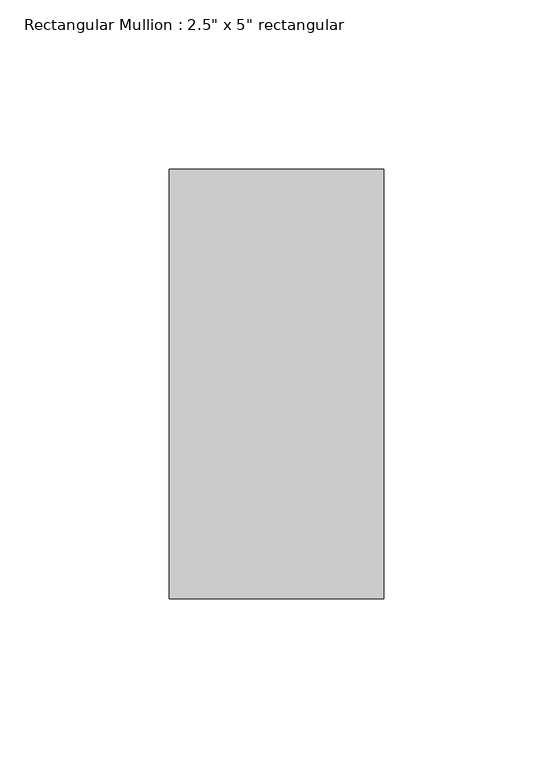
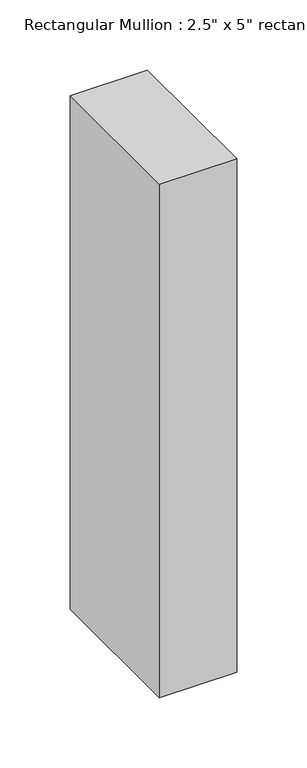
"""IFC4 building model written with IfcOpenShell, lengths in millimetres: member geometry."""

from ifc_helpers import new_model, si_unit, frame, origin, place, context, project, spatial, polyline, outline, extrude, source, transform, mapped, element, save


def member_8d68190f(model_context):
    return source(origin(), model_context, "Body", "SweptSolid", [
        extrude(outline(polyline([(0.0, 63.5), (0.0, -63.5), (-63.5, -63.5), (-63.5, 63.5), (0.0, 63.5)])), frame((0.0, 0.0, -446.6166667), z_axis=(0.0, 0.0, 1.0), x_axis=(1.0, 0.0, 0.0)), (0.0, 0.0, 1.0), 446.6166667),
    ])


if __name__ == "__main__":
    model = new_model("IFC4")
    model_context = context("Model", 3, world=origin())
    ifc_project = project(units=[si_unit("LENGTHUNIT", "METRE", prefix="MILLI")], contexts=[model_context])
    site = spatial("IfcSite", under=ifc_project)
    building = spatial("IfcBuilding", under=site)
    placement = place(None, origin())
    member_shape = member_8d68190f(model_context)
    element("IfcMember", 1, ObjectType="Rectangular Mullion : 2.5\" x 5\" rectangular", at=placement, inside=building, context=model_context, shape_type="MappedRepresentation", body=[
        mapped(member_shape, transform((0.0, 0.0, 0.0), x_axis=(1.0, 0.0, 0.0), y_axis=(0.0, 1.0, 0.0), z_axis=(0.0, 0.0, 1.0))),
    ])
    save(model, "model.ifc")
